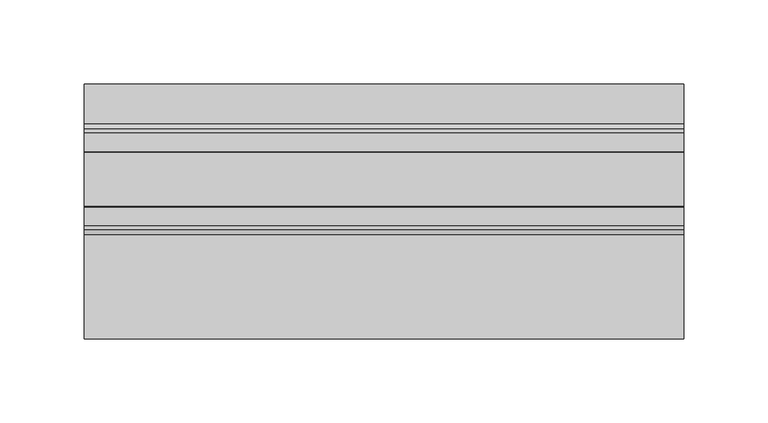
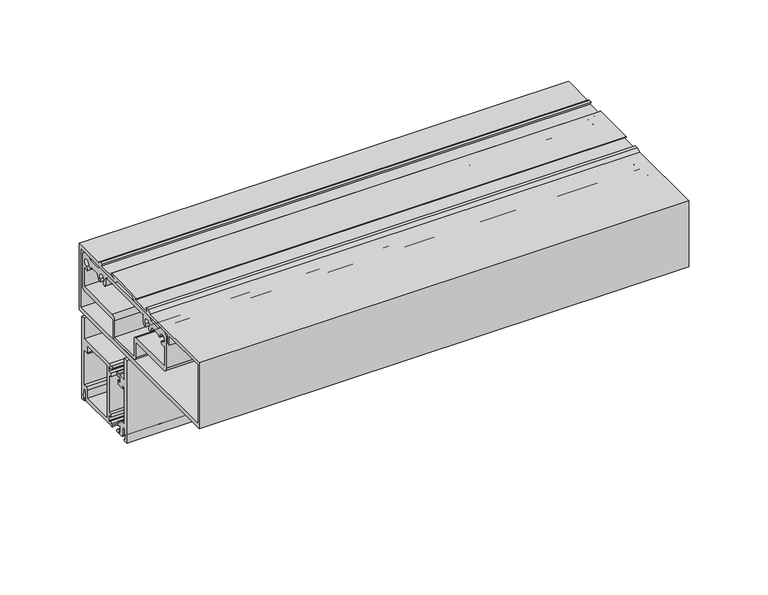
"""IFC4 building model written with IfcOpenShell, lengths in millimetres: plate geometry."""

from ifc_helpers import new_model, si_unit, point, frame, frame_2d, origin, place, context, project, spatial, polyline, circle_curve, trimmed, segment, composite_curve, outline, extrude, source, transform, mapped, element, save


def plate_ee847b03(model_context):
    return source(origin(), model_context, "Body", "SweptSolid", [
        extrude(outline(composite_curve([segment(polyline([(19.0500001, 280.6474153), (19.0500001, 296.5224153), (21.8948001, 296.5224153), (21.8948001, 233.0224153), (19.0500001, 233.0224153), (19.0500001, 234.2924153), (19.862795, 234.2924153), (19.4499993, 242.5220153), (17.0688001, 242.5220153), (17.0688001, 236.1910934)]), True, "CONTINUOUS"), segment(trimmed(circle_curve(frame_2d((15.4940001, 236.1910934)), 1.5748), [point((17.0688001, 236.1910934))], [point((15.4940001, 234.6162934))], False, "CARTESIAN"), True, "CONTINUOUS"), segment(polyline([(15.4940001, 234.6162934), (-12.4616861, 234.6162934), (-14.6792966, 235.2105003), (-15.283713, 234.707152)]), True, "CONTINUOUS"), segment(trimmed(circle_curve(frame_2d((-15.8690069, 235.287496)), 0.8242378), [point((-15.283713, 234.707152))], [point((-16.5466491, 235.7567177))], False, "CARTESIAN"), True, "CONTINUOUS"), segment(polyline([(-16.5466491, 235.7567177), (-15.8444381, 236.7708392), (-14.1842071, 237.500107), (-12.9464135, 236.3561103)]), True, "CONTINUOUS"), segment(trimmed(circle_curve(frame_2d((-12.3966681, 236.5800475)), 0.5936058), [point((-12.9464135, 236.3561103))], [point((-11.8030624, 236.5800475))], True, "CARTESIAN"), True, "CONTINUOUS"), segment(polyline([(-11.8030624, 236.5800475), (-11.8030624, 241.6113576), (-14.8259799, 241.1722604), (-14.8259799, 243.3199966), (-12.4078999, 243.3199966), (-12.4078999, 271.9437121), (-14.8259799, 271.9437121), (-14.8259799, 274.8939851), (-12.0014999, 274.4837121), (-12.0014999, 278.6836612)]), True, "CONTINUOUS"), segment(trimmed(circle_curve(frame_2d((-12.5951057, 278.6836612)), 0.5936058), [point((-12.0014999, 278.6836612))], [point((-13.1887114, 278.6836612))], True, "CARTESIAN"), True, "CONTINUOUS"), segment(polyline([(-13.1887114, 278.6836612), (-14.1842071, 277.7636016), (-15.8444381, 278.4928695), (-16.5466491, 279.506991)]), True, "CONTINUOUS"), segment(trimmed(circle_curve(frame_2d((-15.8690069, 279.9762127)), 0.8242378), [point((-16.5466491, 279.506991))], [point((-15.283713, 280.5565566))], False, "CARTESIAN"), True, "CONTINUOUS"), segment(polyline([(-15.283713, 280.5565566), (-14.6792966, 280.0532084), (-12.4616861, 280.6474153), (19.0500001, 280.6474153)]), True, "CONTINUOUS")], self_intersect=False), holes=[composite_curve([segment(trimmed(circle_curve(frame_2d((15.0876001, 272.7311121)), 0.7874), [point((15.0876001, 271.9437121))], [point((14.3002001, 272.7311121))], False, "CARTESIAN"), True, "CONTINUOUS"), segment(polyline([(14.3002001, 272.7311121), (14.3002001, 277.4724153), (-9.2328999, 277.4724153), (-9.2328999, 237.7912934), (14.3002001, 237.7912934), (14.3002001, 244.1222153)]), True, "CONTINUOUS"), segment(trimmed(circle_curve(frame_2d((15.8750001, 244.1222153)), 1.5748), [point((14.3002001, 244.1222153))], [point((15.8750001, 245.6970153))], False, "CARTESIAN"), True, "CONTINUOUS"), segment(polyline([(15.8750001, 245.6970153), (18.7198001, 245.6970153), (18.7198001, 271.9437121), (15.0876001, 271.9437121)]), True, "CONTINUOUS")], self_intersect=False)]), frame((-177.8, 0.0, 0.0), z_axis=(1.0, 0.0, 0.0), x_axis=(0.0, 1.0, 0.0)), (0.0, 0.0, 1.0), 355.6),
        extrude(outline(composite_curve([segment(polyline([(-23.7820199, 239.8550278), (-26.6064999, 241.4857421), (-26.6064999, 236.5918521)]), True, "CONTINUOUS"), segment(trimmed(circle_curve(frame_2d((-26.0984998, 236.5918521)), 0.508), [point((-26.6064999, 236.5918521))], [point((-26.0926066, 236.0838862))], True, "CARTESIAN"), True, "CONTINUOUS"), segment(polyline([(-26.0926066, 236.0838862), (-24.4021052, 237.5023853), (-22.7635618, 236.7826438), (-21.9926524, 235.6693093), (-21.9926524, 234.6280979), (-23.1924006, 234.6280979), (-23.8073259, 235.2430233), (-26.146241, 234.6163129), (-28.1861634, 234.6163129)]), True, "CONTINUOUS"), segment(trimmed(circle_curve(frame_2d((-28.1939999, 236.1910934)), 1.5748), [point((-28.1861634, 234.6163129))], [point((-29.7687999, 236.1910934))], False, "CARTESIAN"), True, "CONTINUOUS"), segment(polyline([(-29.7687999, 236.1910934), (-29.7687999, 242.5220153), (-32.1499991, 242.5220153), (-32.5627999, 234.2924153), (-31.7499999, 234.2924153), (-31.7499999, 233.0224153), (-34.5947999, 233.0224153), (-34.5947999, 296.5224153), (-31.7499999, 296.5224153), (-31.7499999, 280.6474153), (-26.1463137, 280.6474153), (-23.9287032, 280.0532084), (-22.4438438, 280.6474153), (-21.9101175, 279.7229743), (-22.7675508, 278.4984326), (-24.238078, 277.7465668), (-26.6064998, 279.4049536), (-26.6064998, 273.7897712), (-23.7820198, 275.4204855), (-23.7820198, 271.9437121), (-29.7698572, 271.9437121), (-29.7698572, 273.4424337)]), True, "CONTINUOUS"), segment(trimmed(circle_curve(frame_2d((-30.5958838, 273.4424337)), 0.8260266), [point((-29.7698572, 273.4424337))], [point((-31.4219104, 273.4424337))], True, "CARTESIAN"), True, "CONTINUOUS"), segment(polyline([(-31.4219104, 273.4424337), (-31.4219104, 245.6970153), (-28.1685999, 245.6970153)]), True, "CONTINUOUS"), segment(trimmed(circle_curve(frame_2d((-28.1685999, 244.1222153)), 1.5748), [point((-28.1685999, 245.6970153))], [point((-26.8134467, 243.3199966))], False, "CARTESIAN"), True, "CONTINUOUS"), segment(polyline([(-26.8134467, 243.3199966), (-23.7820199, 243.3199966), (-23.7820199, 239.8550278)]), True, "CONTINUOUS")], self_intersect=False)), frame((-177.8, 0.0, 0.0), z_axis=(1.0, 0.0, 0.0), x_axis=(0.0, 1.0, 0.0)), (0.0, 0.0, 1.0), 355.6),
        extrude(outline(composite_curve([segment(polyline([(-63.4339599, 347.3097153), (0.0660401, 347.3097153), (1.6408401, 345.7349153), (11.1785401, 345.7349153), (12.7660401, 347.3097153), (17.8435001, 347.3097153)]), True, "CONTINUOUS"), segment(trimmed(circle_curve(frame_2d((17.8435001, 344.1347153)), 3.175), [point((17.8435001, 347.3097153))], [point((21.0185001, 344.1347153))], False, "CARTESIAN"), True, "CONTINUOUS"), segment(polyline([(21.0185001, 344.1347153), (21.0185001, 320.6651153)]), True, "CONTINUOUS"), segment(trimmed(circle_curve(frame_2d((17.8435001, 320.6651153)), 3.175), [point((21.0185001, 320.6651153))], [point((17.8435001, 317.4901153))], False, "CARTESIAN"), True, "CONTINUOUS"), segment(polyline([(17.8435001, 317.4901153), (-17.4599599, 317.4901153), (-17.4599599, 305.6537153)]), True, "CONTINUOUS"), segment(trimmed(circle_curve(frame_2d((-19.8475599, 305.6537153)), 2.3876), [point((-17.4599599, 305.6537153))], [point((-19.8475599, 303.2661153))], False, "CARTESIAN"), True, "CONTINUOUS"), segment(polyline([(-19.8475599, 303.2661153), (-43.5203599, 303.2661153)]), True, "CONTINUOUS"), segment(trimmed(circle_curve(frame_2d((-43.5203599, 305.6537153)), 2.3876), [point((-43.5203599, 303.2661153))], [point((-45.9079599, 305.6537153))], False, "CARTESIAN"), True, "CONTINUOUS"), segment(polyline([(-45.9079599, 305.6537153), (-45.9079599, 317.4901153), (-81.2164999, 317.4901153)]), True, "CONTINUOUS"), segment(trimmed(circle_curve(frame_2d((-81.2164999, 320.6651153)), 3.175), [point((-81.2164999, 317.4901153))], [point((-84.3914999, 320.6651153))], False, "CARTESIAN"), True, "CONTINUOUS"), segment(polyline([(-84.3914999, 320.6651153), (-84.3914999, 344.1347153)]), True, "CONTINUOUS"), segment(trimmed(circle_curve(frame_2d((-81.2164999, 344.1347153)), 3.175), [point((-84.3914999, 344.1347153))], [point((-81.2164999, 347.3097153))], False, "CARTESIAN"), True, "CONTINUOUS"), segment(polyline([(-81.2164999, 347.3097153), (-76.1339599, 347.3097153), (-74.5591599, 345.7349153), (-65.0087599, 345.7349153), (-63.4339599, 347.3097153)]), True, "CONTINUOUS")], self_intersect=False), holes=[composite_curve([segment(polyline([(-66.513474, 340.6549153), (-73.6490099, 340.6549153)]), True, "CONTINUOUS"), segment(trimmed(circle_curve(frame_2d((-75.1940964, 340.9597153)), 1.5748635), [point((-73.6490099, 340.6549153))], [point((-76.7689599, 340.9597153))], False, "CARTESIAN"), True, "CONTINUOUS"), segment(trimmed(circle_curve(frame_2d((-79.3089599, 340.9597153)), 2.54), [point((-76.7689599, 340.9597153))], [point((-79.3089599, 338.4197153))], True, "CARTESIAN"), True, "CONTINUOUS"), segment(trimmed(circle_curve(frame_2d((-79.3089599, 336.8448518)), 1.5748635), [point((-79.3089599, 338.4197153))], [point((-79.3089599, 335.2699883))], False, "CARTESIAN"), True, "CONTINUOUS"), segment(trimmed(circle_curve(frame_2d((-79.3089599, 340.9597153)), 5.689727), [point((-79.3089599, 335.2699883))], [point((-81.6228999, 335.7617662))], False, "CARTESIAN"), True, "CONTINUOUS"), segment(polyline([(-81.6228999, 335.7617662), (-81.6228999, 321.4525153), (-46.6953599, 321.4525153)]), True, "CONTINUOUS"), segment(trimmed(circle_curve(frame_2d((-46.6953599, 318.2775153)), 3.175), [point((-46.6953599, 321.4525153))], [point((-43.5203599, 318.2775153))], False, "CARTESIAN"), True, "CONTINUOUS"), segment(polyline([(-43.5203599, 318.2775153), (-43.5203599, 305.6537153), (-19.8475599, 305.6537153), (-19.8475599, 318.2775153)]), True, "CONTINUOUS"), segment(trimmed(circle_curve(frame_2d((-16.6725599, 318.2775153)), 3.175), [point((-19.8475599, 318.2775153))], [point((-16.6725599, 321.4525153))], False, "CARTESIAN"), True, "CONTINUOUS"), segment(polyline([(-16.6725599, 321.4525153), (18.2499001, 321.4525153), (18.2499001, 335.7617662)]), True, "CONTINUOUS"), segment(trimmed(circle_curve(frame_2d((15.9359601, 340.9597153)), 5.689727), [point((18.2499001, 335.7617662))], [point((15.9359601, 335.2699883))], False, "CARTESIAN"), True, "CONTINUOUS"), segment(trimmed(circle_curve(frame_2d((15.9359601, 336.8448518)), 1.5748635), [point((15.9359601, 335.2699883))], [point((15.9359601, 338.4197153))], False, "CARTESIAN"), True, "CONTINUOUS"), segment(trimmed(circle_curve(frame_2d((15.9359601, 340.9597153)), 2.54), [point((15.9359601, 338.4197153))], [point((13.3959601, 340.9597153))], True, "CARTESIAN"), True, "CONTINUOUS"), segment(trimmed(circle_curve(frame_2d((11.8210966, 340.9597153)), 1.5748635), [point((13.3959601, 340.9597153))], [point((10.2760102, 340.6549153))], False, "CARTESIAN"), True, "CONTINUOUS"), segment(polyline([(10.2760102, 340.6549153), (3.1404743, 340.6549153)]), True, "CONTINUOUS"), segment(trimmed(circle_curve(frame_2d((3.1404743, 340.0199153)), 0.635), [point((3.1404743, 340.6549153))], [point((2.5125237, 340.1142708))], True, "CARTESIAN"), True, "CONTINUOUS"), segment(trimmed(circle_curve(frame_2d((-3.1140399, 340.9597153)), 5.689727), [point((2.5125237, 340.1142708))], [point((0.9092047, 336.9364708))], False, "CARTESIAN"), True, "CONTINUOUS"), segment(trimmed(circle_curve(frame_2d((-0.204392, 338.0500674)), 1.5748635), [point((0.9092047, 336.9364708))], [point((-1.3179886, 339.1636641))], False, "CARTESIAN"), True, "CONTINUOUS"), segment(trimmed(circle_curve(frame_2d((-3.1140399, 340.9597153)), 2.54), [point((-1.3179886, 339.1636641))], [point((-4.9100911, 339.1636641))], True, "CARTESIAN"), True, "CONTINUOUS"), segment(trimmed(circle_curve(frame_2d((-6.0236877, 338.0500674)), 1.5748635), [point((-4.9100911, 339.1636641))], [point((-7.1372844, 336.9364708))], False, "CARTESIAN"), True, "CONTINUOUS"), segment(trimmed(circle_curve(frame_2d((-3.1140399, 340.9597153)), 5.689727), [point((-7.1372844, 336.9364708))], [point((-8.3247823, 343.2447002))], False, "CARTESIAN"), True, "CONTINUOUS"), segment(trimmed(circle_curve(frame_2d((-8.9063254, 343.4997152)), 0.635), [point((-8.3247823, 343.2447002))], [point((-8.9063237, 344.1347152))], True, "CARTESIAN"), True, "CONTINUOUS"), segment(polyline([(-8.9063237, 344.1347152), (-54.4667283, 344.1348424)]), True, "CONTINUOUS"), segment(trimmed(circle_curve(frame_2d((-54.4667301, 343.4998424)), 0.635), [point((-54.4667283, 344.1348424))], [point((-55.0482676, 343.2448147))], True, "CARTESIAN"), True, "CONTINUOUS"), segment(trimmed(circle_curve(frame_2d((-60.2589599, 340.9597153)), 5.689727), [point((-55.0482676, 343.2448147))], [point((-56.2357153, 336.9364708))], False, "CARTESIAN"), True, "CONTINUOUS"), segment(trimmed(circle_curve(frame_2d((-57.349312, 338.0500674)), 1.5748635), [point((-56.2357153, 336.9364708))], [point((-58.4629086, 339.1636641))], False, "CARTESIAN"), True, "CONTINUOUS"), segment(trimmed(circle_curve(frame_2d((-60.2589599, 340.9597153)), 2.54), [point((-58.4629086, 339.1636641))], [point((-62.0550111, 339.1636641))], True, "CARTESIAN"), True, "CONTINUOUS"), segment(trimmed(circle_curve(frame_2d((-63.1686077, 338.0500674)), 1.5748635), [point((-62.0550111, 339.1636641))], [point((-64.2822044, 336.9364708))], False, "CARTESIAN"), True, "CONTINUOUS"), segment(trimmed(circle_curve(frame_2d((-60.2589599, 340.9597153)), 5.689727), [point((-64.2822044, 336.9364708))], [point((-65.8855234, 340.1142708))], False, "CARTESIAN"), True, "CONTINUOUS"), segment(trimmed(circle_curve(frame_2d((-66.513474, 340.0199153)), 0.635), [point((-65.8855234, 340.1142708))], [point((-66.513474, 340.6549153))], True, "CARTESIAN"), True, "CONTINUOUS")], self_intersect=False)]), frame((-177.8, 0.0, 0.0), z_axis=(1.0, 0.0, 0.0), x_axis=(0.0, 1.0, 0.0)), (0.0, 0.0, 1.0), 355.6),
        extrude(outline(composite_curve([segment(polyline([(-1.4427199, 352.0722153), (1.3131801, 350.4847153), (24.9174001, 350.4847153), (24.9174001, 299.6847153), (-126.2583199, 299.6847153), (-126.2583199, 350.4847153), (-64.5236199, 350.4847153), (-61.7677199, 352.0722153), (-59.257434, 352.0722153), (-60.6700126, 349.6084153), (-45.1673656, 349.6084153)]), True, "CONTINUOUS"), segment(trimmed(circle_curve(frame_2d((-45.1531754, 350.0604677)), 0.4522751), [point((-45.1673656, 349.6084153))], [point((-44.9964378, 350.4847153))], True, "CARTESIAN"), True, "CONTINUOUS"), segment(polyline([(-44.9964378, 350.4847153), (-47.6845476, 351.4778336)]), True, "CONTINUOUS"), segment(trimmed(circle_curve(frame_2d((-47.5894399, 351.7674153)), 0.3048), [point((-47.6845476, 351.4778336))], [point((-47.5894399, 352.0722153))], False, "CARTESIAN"), True, "CONTINUOUS"), segment(polyline([(-47.5894399, 352.0722153), (-15.6159199, 352.0722153)]), True, "CONTINUOUS"), segment(trimmed(circle_curve(frame_2d((-15.6159199, 351.7674153)), 0.3048), [point((-15.6159199, 352.0722153))], [point((-15.5212312, 351.4776963))], False, "CARTESIAN"), True, "CONTINUOUS"), segment(polyline([(-15.5212312, 351.4776963), (-18.2089219, 350.4847153)]), True, "CONTINUOUS"), segment(trimmed(circle_curve(frame_2d((-18.0522213, 350.0605753)), 0.4521613), [point((-18.2089219, 350.4847153))], [point((-18.0511075, 349.6084153))], True, "CARTESIAN"), True, "CONTINUOUS"), segment(polyline([(-18.0511075, 349.6084153), (-2.526599, 349.6084153), (-3.9486581, 352.0722153), (-1.4427199, 352.0722153)]), True, "CONTINUOUS")], self_intersect=False), holes=[polyline([(-123.8707199, 302.8597153), (22.5298001, 302.8597153), (22.5298001, 347.3097153), (-20.0151999, 347.3097153), (-22.4916999, 349.7862153), (-40.7492199, 349.7862153), (-43.2257199, 347.3097153), (-85.7707199, 347.3097153), (-85.7707199, 340.9597153), (-88.1583199, 340.9597153), (-88.1583199, 347.3097153), (-123.8707199, 347.3097153), (-123.8707199, 302.8597153)])]), frame((-177.8, 0.0, 0.0), z_axis=(1.0, 0.0, 0.0), x_axis=(0.0, 1.0, 0.0)), (0.0, 0.0, 1.0), 355.6),
    ])


if __name__ == "__main__":
    model = new_model("IFC4")
    model_context = context("Model", 3, world=origin())
    ifc_project = project(units=[si_unit("LENGTHUNIT", "METRE", prefix="MILLI")], contexts=[model_context])
    site = spatial("IfcSite", under=ifc_project)
    building = spatial("IfcBuilding", under=site)
    placement = place(None, origin())
    plate_shape = plate_ee847b03(model_context)
    element("IfcPlate", 1, at=placement, inside=building, context=model_context, shape_type="MappedRepresentation", body=[
        mapped(plate_shape, transform((0.0, 0.0, 0.0), x_axis=(1.0, 0.0, 0.0), y_axis=(0.0, 1.0, 0.0), z_axis=(0.0, 0.0, 1.0))),
    ])
    save(model, "model.ifc")
